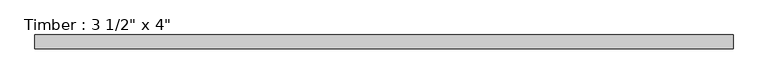
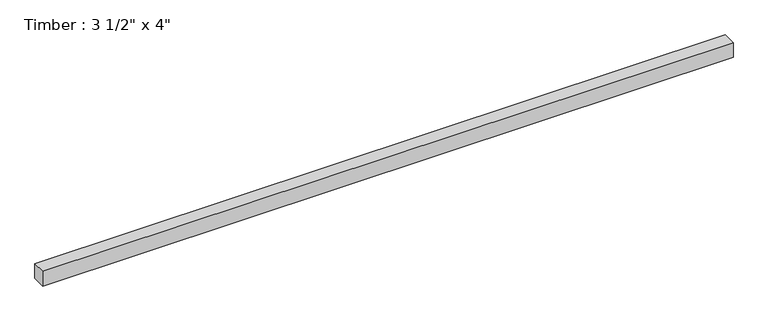
"""IFC4 building model written with IfcOpenShell, lengths in millimetres: beam geometry."""

from ifc_helpers import new_model, si_unit, frame, origin, place, context, project, spatial, polyline, outline, extrude, source, transform, mapped, element, save


def beam_b5ab656c(model_context):
    return source(origin(), model_context, "Body", "SweptSolid", [
        extrude(outline(polyline([(2251.888062, -44.45), (-2251.888062, -44.45), (-2251.888062, 44.45), (2251.888062, 44.45), (2251.888062, -44.45)])), frame((0.0, 0.0, -50.8), z_axis=(0.0, 0.0, 1.0), x_axis=(1.0, 0.0, 0.0)), (0.0, 0.0, 1.0), 101.6),
    ])


if __name__ == "__main__":
    model = new_model("IFC4")
    model_context = context("Model", 3, world=origin())
    ifc_project = project(units=[si_unit("LENGTHUNIT", "METRE", prefix="MILLI")], contexts=[model_context])
    site = spatial("IfcSite", under=ifc_project)
    building = spatial("IfcBuilding", under=site)
    placement = place(None, origin())
    beam_shape = beam_b5ab656c(model_context)
    element("IfcBeam", 1, ObjectType="Timber : 3 1/2\" x 4\"", at=placement, inside=building, context=model_context, shape_type="MappedRepresentation", body=[
        mapped(beam_shape, transform((0.0, 0.0, 0.0), x_axis=(1.0, 0.0, 0.0), y_axis=(0.0, 1.0, 0.0), z_axis=(0.0, 0.0, 1.0))),
    ])
    save(model, "model.ifc")
